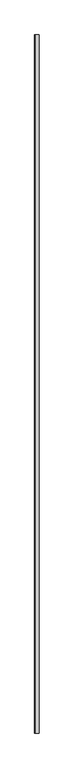
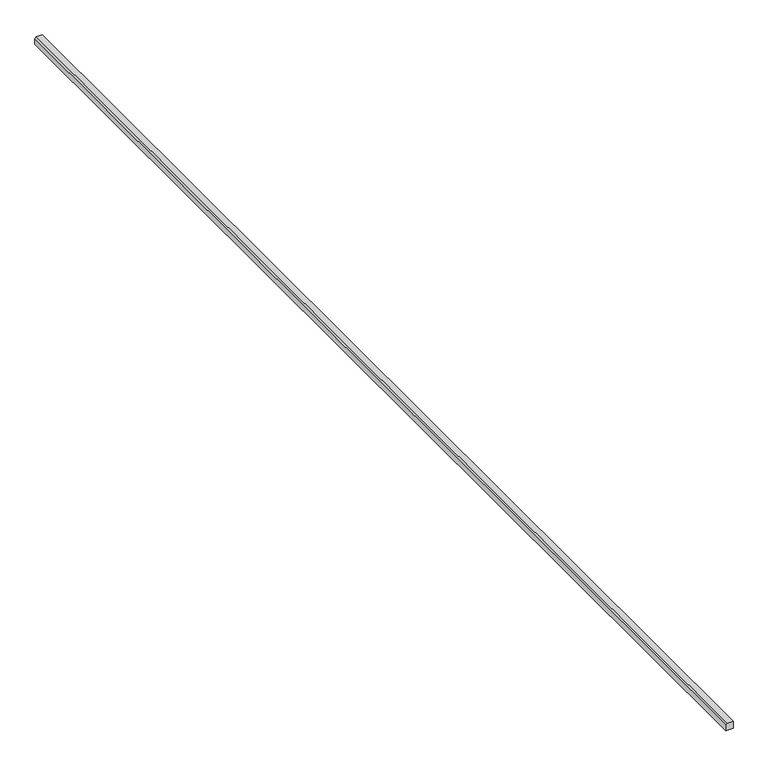
"""IFC4 building model written with IfcOpenShell, lengths in millimetres: proxy geometry."""

from ifc_helpers import new_model, si_unit, frame, origin, place, context, project, spatial, polyline, outline, extrude, source, transform, mapped, element, save


def generic_models_9cb69cea(model_context):
    return source(origin(), model_context, "Body", "SweptSolid", [
        extrude(outline(polyline([(3.5355339, 15.0), (3.5355339, 0.0), (0.0, -3.5355339), (-15.0, -3.5355339), (-15.0, 15.0), (3.5355339, 15.0)])), frame((0.0, -1500.0, 0.0), z_axis=(0.0, 1.0, 0.0), x_axis=(0.0, 0.0, 1.0)), (0.0, 0.0, 1.0), 3000.0),
    ])


if __name__ == "__main__":
    model = new_model("IFC4")
    model_context = context("Model", 3, world=origin())
    ifc_project = project(units=[si_unit("LENGTHUNIT", "METRE", prefix="MILLI")], contexts=[model_context])
    site = spatial("IfcSite", under=ifc_project)
    building = spatial("IfcBuilding", under=site)
    placement = place(None, origin())
    generic_models_shape = generic_models_9cb69cea(model_context)
    element("IfcBuildingElementProxy", 1, Name="Generic Models", at=placement, inside=building, context=model_context, shape_type="MappedRepresentation", body=[
        mapped(generic_models_shape, transform((0.0, 0.0, 0.0), x_axis=(1.0, 0.0, 0.0), y_axis=(0.0, 1.0, 0.0), z_axis=(0.0, 0.0, 1.0))),
    ])
    save(model, "model.ifc")
